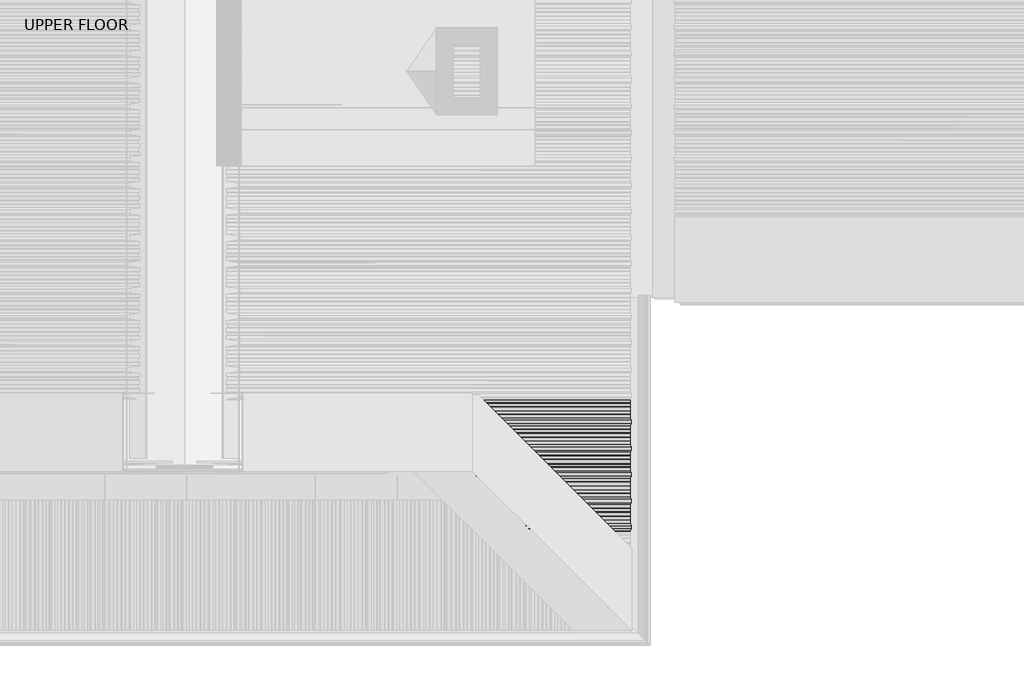
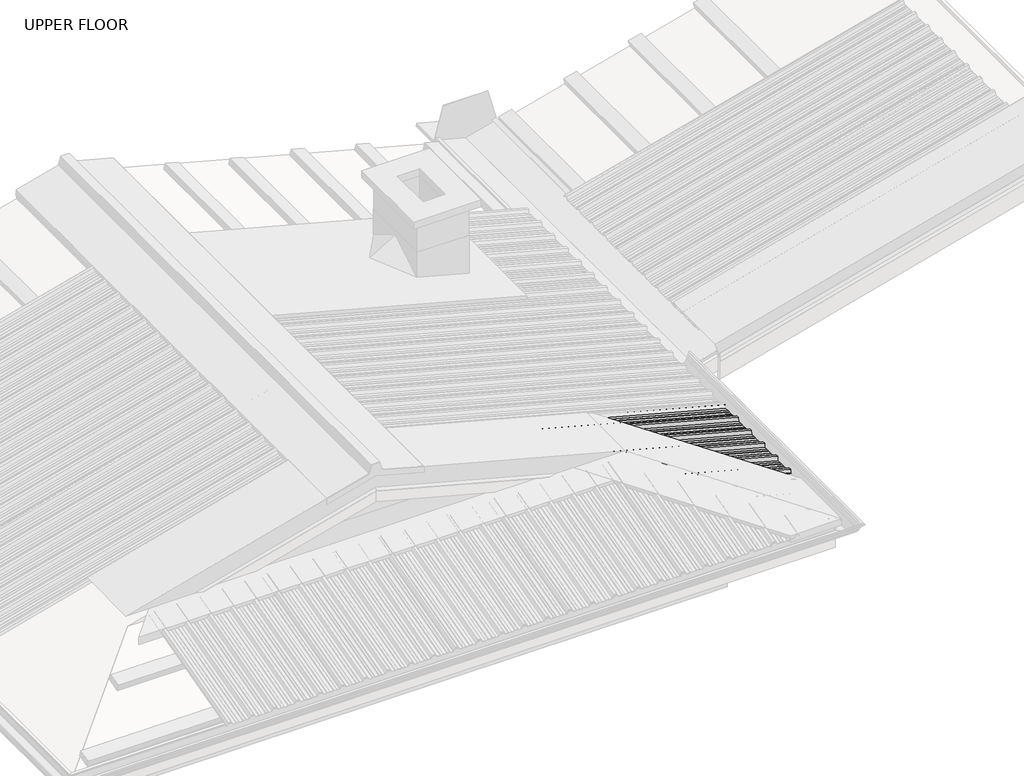
# One storey, part 13 of 21: 1 beam.
"""IFC4 building model written with IfcOpenShell, lengths in millimetres."""

from ifc_helpers import new_model, si_unit, frame, origin, place, context, project, spatial, circle_curve, ellipse_curve, element, save
from ifc_brep_helpers import plane_surface, cylinder_surface, advanced_brep

model = new_model("IFC4")

# Units and contexts
model_context = context("Model", 3, world=origin())
ifc_project = project(units=[si_unit("LENGTHUNIT", "METRE", prefix="MILLI")], contexts=[model_context])

# Site, building, storey
site = spatial("IfcSite", under=ifc_project)
building = spatial("IfcBuilding", under=site)
storey = spatial("IfcBuildingStorey", under=building, Name="UPPER FLOOR", Elevation=2700.0)

# Beam
placement = place(None, origin())
element("IfcBeam", 1, at=placement, inside=storey, context=model_context, shape_type="AdvancedBrep", body=[
    advanced_brep(
    [(4584.6645529, -3346.1714421, 3273.3606404), (4584.6645529, -3324.2252574, 3273.3606404), (4589.5821147, -3313.3559682, 3291.7132311), (4589.5821147, -3296.6760982, 3291.7132311), (4586.0973215, -3288.9916547, 3278.7078058), (4586.2165568, -3288.184463, 3279.1527977), (4589.8409338, -3296.1767078, 3292.679157), (4589.8409338, -3313.8553585, 3292.679157), (4584.9233719, -3324.7246477, 3274.3265663), (4584.9233719, -3345.9418822, 3274.3265663), (4585.44101, -3350.0684842, 3276.2584179), (4585.44101, -3368.1868745, 3276.2584179), (4584.9233719, -3371.4510385, 3274.3265663), (4584.9233719, -3393.156721, 3274.3265663), (4585.44101, -3396.1981795, 3276.2584179), (4585.44101, -3412.4624649, 3276.2584179), (4584.9233719, -3415.5061068, 3274.3265663), (4584.9233719, -3435.0300038, 3274.3265663), (4590.3585719, -3447.0153597, 3294.6110086), (4590.3585719, -3467.0153597, 3294.6110086), (4584.9233719, -3479.0287846, 3274.3265663), (4584.9233719, -3497.9418822, 3274.3265663), (4585.44101, -3502.0684842, 3276.2584179), (4585.44101, -3520.1868745, 3276.2584179), (4584.9233719, -3523.4510385, 3274.3265663), (4584.9233719, -3545.156721, 3274.3265663), (4585.44101, -3548.1981795, 3276.2584179), (4585.44101, -3564.4624649, 3276.2584179), (4584.9233719, -3567.5061068, 3274.3265663), (4584.9233719, -3587.0300038, 3274.3265663), (4590.3585719, -3599.0153597, 3294.6110086), (4590.3585719, -3619.0153597, 3294.6110086), (4584.9233719, -3631.0287846, 3274.3265663), (4584.9233719, -3649.9418822, 3274.3265663), (4585.44101, -3654.0684842, 3276.2584179), (4585.44101, -3672.1868745, 3276.2584179), (4584.9233719, -3675.4510385, 3274.3265663), (4584.9233719, -3697.156721, 3274.3265663), (4585.44101, -3700.1981795, 3276.2584179), (4585.44101, -3716.4624649, 3276.2584179), (4584.9233719, -3719.5061068, 3274.3265663), (4584.9233719, -3739.0300038, 3274.3265663), (4590.3585719, -3751.0153597, 3294.6110086), (4590.3585719, -3771.0153597, 3294.6110086), (4584.9233719, -3783.0287846, 3274.3265663), (4584.9233719, -3801.9418822, 3274.3265663), (4585.44101, -3806.0684842, 3276.2584179), (4585.44101, -3824.1868745, 3276.2584179), (4584.9233719, -3827.4510385, 3274.3265663), (4584.9233719, -3849.156721, 3274.3265663), (4585.44101, -3852.1981795, 3276.2584179), (4585.44101, -3868.4624649, 3276.2584179), (4584.9233719, -3871.5061068, 3274.3265663), (4584.9233719, -3891.0300038, 3274.3265663), (4590.3585719, -3903.0153597, 3294.6110086), (4590.3585719, -3923.0153597, 3294.6110086), (4584.9233719, -3935.0287846, 3274.3265663), (4584.9233719, -3953.9418822, 3274.3265663), (4585.44101, -3958.0684842, 3276.2584179), (4585.44101, -3976.1868745, 3276.2584179), (4584.9233719, -3979.4510385, 3274.3265663), (4584.9233719, -4001.156721, 3274.3265663), (4585.44101, -4004.1981795, 3276.2584179), (4585.44101, -4020.4624649, 3276.2584179), (4584.9233719, -4023.5061068, 3274.3265663), (4584.9233719, -4043.0300038, 3274.3265663), (4590.3585719, -4055.0153597, 3294.6110086), (4590.3585719, -4075.0153597, 3294.6110086), (4585.44101, -4085.8846489, 3276.2584179), (4585.44101, -4088.8207882, 3276.2584179), (4585.182191, -4088.8207882, 3275.2924921), (4585.182191, -4085.3852585, 3275.2924921), (4590.0997528, -4074.5159693, 3293.6450828), (4590.0997528, -4055.5147501, 3293.6450828), (4584.6645529, -4043.5293942, 3273.3606404), (4584.6645529, -4023.2069557, 3273.3606404), (4585.182191, -4020.1633138, 3275.2924921), (4585.182191, -4004.49751, 3275.2924921), (4584.6645529, -4001.4560515, 3273.3606404), (4584.6645529, -3979.1690433, 3273.3606404), (4585.182191, -3975.9048793, 3275.2924921), (4585.182191, -3958.2980441, 3275.2924921), (4584.6645529, -3954.1714421, 3273.3606404), (4584.6645529, -3934.5293942, 3273.3606404), (4590.0997528, -3922.5159693, 3293.6450828), (4590.0997528, -3903.5147501, 3293.6450828), (4584.6645529, -3891.5293942, 3273.3606404), (4584.6645529, -3871.2069557, 3273.3606404), (4585.182191, -3868.1633138, 3275.2924921), (4585.182191, -3852.49751, 3275.2924921), (4584.6645529, -3849.4560515, 3273.3606404), (4584.6645529, -3827.1690433, 3273.3606404), (4585.182191, -3823.9048793, 3275.2924921), (4585.182191, -3806.2980441, 3275.2924921), (4584.6645529, -3802.1714421, 3273.3606404), (4584.6645529, -3782.5293942, 3273.3606404), (4590.0997528, -3770.5159693, 3293.6450828), (4590.0997528, -3751.5147501, 3293.6450828), (4584.6645529, -3739.5293942, 3273.3606404), (4584.6645529, -3719.2069557, 3273.3606404), (4585.182191, -3716.1633138, 3275.2924921), (4585.182191, -3700.49751, 3275.2924921), (4584.6645529, -3697.4560515, 3273.3606404), (4584.6645529, -3675.1690433, 3273.3606404), (4585.182191, -3671.9048793, 3275.2924921), (4585.182191, -3654.2980441, 3275.2924921), (4584.6645529, -3650.1714421, 3273.3606404), (4584.6645529, -3630.5293942, 3273.3606404), (4590.0997528, -3618.5159693, 3293.6450828), (4590.0997528, -3599.5147501, 3293.6450828), (4584.6645529, -3587.5293942, 3273.3606404), (4584.6645529, -3567.2069557, 3273.3606404), (4585.182191, -3564.1633138, 3275.2924921), (4585.182191, -3548.49751, 3275.2924921), (4584.6645529, -3545.4560515, 3273.3606404), (4584.6645529, -3523.1690433, 3273.3606404), (4585.182191, -3519.9048793, 3275.2924921), (4585.182191, -3502.2980441, 3275.2924921), (4584.6645529, -3498.1714421, 3273.3606404), (4584.6645529, -3478.5293942, 3273.3606404), (4590.0997528, -3466.5159693, 3293.6450828), (4590.0997528, -3447.5147501, 3293.6450828), (4584.6645529, -3435.5293942, 3273.3606404), (4584.6645529, -3415.2069557, 3273.3606404), (4585.182191, -3412.1633138, 3275.2924921), (4585.182191, -3396.49751, 3275.2924921), (4584.6645529, -3393.4560515, 3273.3606404), (4584.6645529, -3371.1690433, 3273.3606404), (4585.182191, -3367.9048793, 3275.2924921), (4585.182191, -3350.2980441, 3275.2924921), (3292.5283081, -3367.9048793, 3621.6580561), (3274.9214729, -3350.2980441, 3626.3757934), (3295.7924721, -3371.1690433, 3618.7128736), (3318.0794803, -3393.4560515, 3612.7410878), (3321.1209388, -3396.49751, 3613.9966838), (3336.7867426, -3412.1633138, 3609.7990443), (3339.8303845, -3415.2069557, 3606.9129506), (3360.152823, -3435.5293942, 3601.4675696), (3372.1381788, -3447.5147501, 3619.9969029), (3391.1393981, -3466.5159693, 3614.9055416), (3403.152823, -3478.5293942, 3589.9457543), (3422.7948709, -3498.1714421, 3584.6826834), (3426.9214729, -3502.2980441, 3585.6475161), (3444.5283081, -3519.9048793, 3580.9297789), (3447.7924721, -3523.1690433, 3577.9845964), (3470.0794803, -3545.4560515, 3572.0128105), (3473.1209388, -3548.49751, 3573.2684065), (3488.7867426, -3564.1633138, 3569.0707671), (3491.8303845, -3567.2069557, 3566.1846733), (3512.152823, -3587.5293942, 3560.7392923), (3524.1381788, -3599.5147501, 3579.2686257), (3543.1393981, -3618.5159693, 3574.1772643), (3555.152823, -3630.5293942, 3549.2174771), (3574.7948709, -3650.1714421, 3543.9544062), (3578.9214729, -3654.2980441, 3544.9192389), (3596.5283081, -3671.9048793, 3540.2015016), (3599.7924721, -3675.1690433, 3537.2563191), (3622.0794803, -3697.4560515, 3531.2845333), (3625.1209388, -3700.49751, 3532.5401293), (3640.7867426, -3716.1633138, 3528.3424898), (3643.8303845, -3719.2069557, 3525.4563961), (3664.152823, -3739.5293942, 3520.0110151), (3676.1381788, -3751.5147501, 3538.5403484), (3695.1393981, -3770.5159693, 3533.4489871), (3707.152823, -3782.5293942, 3508.4891998), (3726.7948709, -3802.1714421, 3503.2261289), (3730.9214729, -3806.2980441, 3504.1909616), (3748.5283081, -3823.9048793, 3499.4732244), (3751.7924721, -3827.1690433, 3496.5280419), (3774.0794803, -3849.4560515, 3490.556256), (3777.1209388, -3852.49751, 3491.811852), (3792.7867426, -3868.1633138, 3487.6142126), (3795.8303845, -3871.2069557, 3484.7281188), (3816.152823, -3891.5293942, 3479.2827378), (3828.1381788, -3903.5147501, 3497.8120712), (3847.1393981, -3922.5159693, 3492.7207098), (3859.152823, -3934.5293942, 3467.7609226), (3878.7948709, -3954.1714421, 3462.4978517), (3882.9214729, -3958.2980441, 3463.4626844), (3900.5283081, -3975.9048793, 3458.7449471), (3903.7924721, -3979.1690433, 3455.7997646), (3926.0794803, -4001.4560515, 3449.8279788), (3929.1209388, -4004.49751, 3451.0835748), (3944.7867426, -4020.1633138, 3446.8859353), (3947.8303845, -4023.2069557, 3443.9998416), (3968.152823, -4043.5293942, 3438.5544606), (3980.1381788, -4055.5147501, 3457.0837939), (3999.1393981, -4074.5159693, 3451.9924326), (4010.0086873, -4085.3852585, 3429.4097679), (4013.444217, -4088.8207882, 3428.4892205), (4013.444217, -4088.8207882, 3429.5244967), (4010.5080777, -4085.8846489, 3430.3112328), (3999.6387885, -4075.0153597, 3452.8938975), (3979.6387885, -4055.0153597, 3458.2528814), (3967.6534326, -4043.0300038, 3439.723548), (3948.1295355, -4023.5061068, 3444.9549605), (3945.0858937, -4020.4624649, 3447.8410542), (3928.8216083, -4004.1981795, 3452.1990563), (3925.7801498, -4001.156721, 3450.9434603), (3904.0744673, -3979.4510385, 3456.7594804), (3900.8103033, -3976.1868745, 3459.7046629), (3882.691913, -3958.0684842, 3464.5594709), (3878.565311, -3953.9418822, 3463.5946382), (3859.6522134, -3935.0287846, 3468.6623875), (3847.6387885, -3923.0153597, 3493.6221748), (3827.6387885, -3903.0153597, 3498.9811586), (3815.6534326, -3891.0300038, 3480.4518253), (3796.1295355, -3871.5061068, 3485.6832377), (3793.0858937, -3868.4624649, 3488.5693315), (3776.8216083, -3852.1981795, 3492.9273336), (3773.7801498, -3849.156721, 3491.6717376), (3752.0744673, -3827.4510385, 3497.4877577), (3748.8103033, -3824.1868745, 3500.4329401), (3730.691913, -3806.0684842, 3505.2877482), (3726.565311, -3801.9418822, 3504.3229155), (3707.6522134, -3783.0287846, 3509.3906647), (3695.6387885, -3771.0153597, 3534.350452), (3675.6387885, -3751.0153597, 3539.7094359), (3663.6534326, -3739.0300038, 3521.1801025), (3644.1295355, -3719.5061068, 3526.411515), (3641.0858937, -3716.4624649, 3529.2976087), (3624.8216083, -3700.1981795, 3533.6556108), (3621.7801498, -3697.156721, 3532.4000148), (3600.0744673, -3675.4510385, 3538.2160349), (3596.8103033, -3672.1868745, 3541.1612174), (3578.691913, -3654.0684842, 3546.0160254), (3574.565311, -3649.9418822, 3545.0511927), (3555.6522134, -3631.0287846, 3550.118942), (3543.6387885, -3619.0153597, 3575.0787293), (3523.6387885, -3599.0153597, 3580.4377131), (3511.6534326, -3587.0300038, 3561.9083798), (3492.1295355, -3567.5061068, 3567.1397922), (3489.0858937, -3564.4624649, 3570.025886), (3472.8216083, -3548.1981795, 3574.3838881), (3469.7801498, -3545.156721, 3573.1282921), (3448.0744673, -3523.4510385, 3578.9443122), (3444.8103033, -3520.1868745, 3581.8894946), (3426.691913, -3502.0684842, 3586.7443027), (3422.565311, -3497.9418822, 3585.77947), (3403.6522134, -3479.0287846, 3590.8472192), (3391.6387885, -3467.0153597, 3615.8070065), (3371.6387885, -3447.0153597, 3621.1659904), (3359.6534326, -3435.0300038, 3602.636657), (3340.1295355, -3415.5061068, 3607.8680695), (3270.7948709, -3346.1714421, 3625.4109607), (3337.0858937, -3412.4624649, 3610.7541632), (3320.8216083, -3396.1981795, 3615.1121653), (3317.7801498, -3393.156721, 3613.8565693), (3296.0744673, -3371.4510385, 3619.6725894), (3292.8103033, -3368.1868745, 3622.6177719), (3274.691913, -3350.0684842, 3627.4725799), (3270.565311, -3345.9418822, 3626.5077472), (3249.3480765, -3324.7246477, 3632.1928881), (3238.4787873, -3313.8553585, 3654.7755528), (3220.8001366, -3296.1767078, 3659.512533), (3212.8078917, -3288.184463, 3647.1565404), (3213.6150835, -3288.9916547, 3646.4633131), (3221.299527, -3296.6760982, 3658.3434455), (3237.979397, -3313.3559682, 3653.8740878), (3248.8486861, -3324.2252574, 3631.2914232)],
    [
        (0, 1),
        (1, 2),
        (2, 3),
        (3, 4),
        (4, 5, circle_curve(frame((4586.1569391, -3288.5880588, 3278.9303017), z_axis=(0.9659258262890683, 0.0, -0.25881904510252074), x_axis=(0.0, -1.0, 0.0)), 0.4647024)),
        (5, 6),
        (6, 7),
        (7, 8),
        (8, 9),
        (9, 10),
        (10, 11),
        (11, 12),
        (12, 13),
        (13, 14),
        (14, 15),
        (15, 16),
        (16, 17),
        (17, 18),
        (18, 19),
        (19, 20),
        (20, 21),
        (21, 22),
        (22, 23),
        (23, 24),
        (24, 25),
        (25, 26),
        (26, 27),
        (27, 28),
        (28, 29),
        (29, 30),
        (30, 31),
        (31, 32),
        (32, 33),
        (33, 34),
        (34, 35),
        (35, 36),
        (36, 37),
        (37, 38),
        (38, 39),
        (39, 40),
        (40, 41),
        (41, 42),
        (42, 43),
        (43, 44),
        (44, 45),
        (45, 46),
        (46, 47),
        (47, 48),
        (48, 49),
        (49, 50),
        (50, 51),
        (51, 52),
        (52, 53),
        (53, 54),
        (54, 55),
        (55, 56),
        (56, 57),
        (57, 58),
        (58, 59),
        (59, 60),
        (60, 61),
        (61, 62),
        (62, 63),
        (63, 64),
        (64, 65),
        (65, 66),
        (66, 67),
        (67, 68),
        (68, 69),
        (69, 70, circle_curve(frame((4585.3116005, -4088.8207882, 3275.775455), z_axis=(0.9659258262890683, 0.0, -0.25881904510252074), x_axis=(0.0, -1.0, 0.0)), 0.5)),
        (70, 71),
        (71, 72),
        (72, 73),
        (73, 74),
        (74, 75),
        (75, 76),
        (76, 77),
        (77, 78),
        (78, 79),
        (79, 80),
        (80, 81),
        (81, 82),
        (82, 83),
        (83, 84),
        (84, 85),
        (85, 86),
        (86, 87),
        (87, 88),
        (88, 89),
        (89, 90),
        (90, 91),
        (91, 92),
        (92, 93),
        (93, 94),
        (94, 95),
        (95, 96),
        (96, 97),
        (97, 98),
        (98, 99),
        (99, 100),
        (100, 101),
        (101, 102),
        (102, 103),
        (103, 104),
        (104, 105),
        (105, 106),
        (106, 107),
        (107, 108),
        (108, 109),
        (109, 110),
        (110, 111),
        (111, 112),
        (112, 113),
        (113, 114),
        (114, 115),
        (115, 116),
        (116, 117),
        (117, 118),
        (118, 119),
        (119, 120),
        (120, 121),
        (121, 122),
        (122, 123),
        (123, 124),
        (124, 125),
        (125, 126),
        (126, 127),
        (127, 128),
        (128, 129),
        (129, 0),
        (128, 130),
        (130, 131),
        (131, 129),
        (127, 132),
        (132, 130),
        (126, 133),
        (133, 132),
        (125, 134),
        (134, 133),
        (124, 135),
        (135, 134),
        (123, 136),
        (136, 135),
        (122, 137),
        (137, 136),
        (121, 138),
        (138, 137),
        (120, 139),
        (139, 138),
        (119, 140),
        (140, 139),
        (118, 141),
        (141, 140),
        (117, 142),
        (142, 141),
        (116, 143),
        (143, 142),
        (115, 144),
        (144, 143),
        (114, 145),
        (145, 144),
        (113, 146),
        (146, 145),
        (112, 147),
        (147, 146),
        (111, 148),
        (148, 147),
        (110, 149),
        (149, 148),
        (109, 150),
        (150, 149),
        (108, 151),
        (151, 150),
        (107, 152),
        (152, 151),
        (106, 153),
        (153, 152),
        (105, 154),
        (154, 153),
        (104, 155),
        (155, 154),
        (103, 156),
        (156, 155),
        (102, 157),
        (157, 156),
        (101, 158),
        (158, 157),
        (100, 159),
        (159, 158),
        (99, 160),
        (160, 159),
        (98, 161),
        (161, 160),
        (97, 162),
        (162, 161),
        (96, 163),
        (163, 162),
        (95, 164),
        (164, 163),
        (94, 165),
        (165, 164),
        (93, 166),
        (166, 165),
        (92, 167),
        (167, 166),
        (91, 168),
        (168, 167),
        (90, 169),
        (169, 168),
        (89, 170),
        (170, 169),
        (88, 171),
        (171, 170),
        (87, 172),
        (172, 171),
        (86, 173),
        (173, 172),
        (85, 174),
        (174, 173),
        (84, 175),
        (175, 174),
        (83, 176),
        (176, 175),
        (82, 177),
        (177, 176),
        (81, 178),
        (178, 177),
        (80, 179),
        (179, 178),
        (79, 180),
        (180, 179),
        (78, 181),
        (181, 180),
        (77, 182),
        (182, 181),
        (76, 183),
        (183, 182),
        (75, 184),
        (184, 183),
        (74, 185),
        (185, 184),
        (73, 186),
        (186, 185),
        (72, 187),
        (187, 186),
        (71, 188),
        (188, 187),
        (70, 189),
        (189, 188),
        (69, 190),
        (190, 189, ellipse_curve(frame((4013.444217, -4088.8207882, 3429.0068586), z_axis=(0.7071067811865475, 0.7071067811865476, 0.0), x_axis=(-0.6612248329466451, 0.661224832946645, 0.3543493200069143)), 0.7320508, 0.5)),
        (68, 191),
        (191, 190),
        (67, 192),
        (192, 191),
        (66, 193),
        (193, 192),
        (65, 194),
        (194, 193),
        (64, 195),
        (195, 194),
        (63, 196),
        (196, 195),
        (62, 197),
        (197, 196),
        (61, 198),
        (198, 197),
        (60, 199),
        (199, 198),
        (59, 200),
        (200, 199),
        (58, 201),
        (201, 200),
        (57, 202),
        (202, 201),
        (56, 203),
        (203, 202),
        (55, 204),
        (204, 203),
        (54, 205),
        (205, 204),
        (53, 206),
        (206, 205),
        (52, 207),
        (207, 206),
        (51, 208),
        (208, 207),
        (50, 209),
        (209, 208),
        (49, 210),
        (210, 209),
        (48, 211),
        (211, 210),
        (47, 212),
        (212, 211),
        (46, 213),
        (213, 212),
        (45, 214),
        (214, 213),
        (44, 215),
        (215, 214),
        (43, 216),
        (216, 215),
        (42, 217),
        (217, 216),
        (41, 218),
        (218, 217),
        (40, 219),
        (219, 218),
        (39, 220),
        (220, 219),
        (38, 221),
        (221, 220),
        (37, 222),
        (222, 221),
        (36, 223),
        (223, 222),
        (35, 224),
        (224, 223),
        (34, 225),
        (225, 224),
        (33, 226),
        (226, 225),
        (32, 227),
        (227, 226),
        (31, 228),
        (228, 227),
        (30, 229),
        (229, 228),
        (29, 230),
        (230, 229),
        (28, 231),
        (231, 230),
        (27, 232),
        (232, 231),
        (26, 233),
        (233, 232),
        (25, 234),
        (234, 233),
        (24, 235),
        (235, 234),
        (23, 236),
        (236, 235),
        (22, 237),
        (237, 236),
        (21, 238),
        (238, 237),
        (20, 239),
        (239, 238),
        (19, 240),
        (240, 239),
        (18, 241),
        (241, 240),
        (17, 242),
        (242, 241),
        (16, 243),
        (243, 242),
        (131, 244),
        (244, 0),
        (15, 245),
        (245, 243),
        (14, 246),
        (246, 245),
        (13, 247),
        (247, 246),
        (12, 248),
        (248, 247),
        (11, 249),
        (249, 248),
        (10, 250),
        (250, 249),
        (9, 251),
        (251, 250),
        (8, 252),
        (252, 251),
        (7, 253),
        (253, 252),
        (6, 254),
        (254, 253),
        (5, 255),
        (255, 254),
        (4, 256),
        (256, 255, ellipse_curve(frame((3213.2114876, -3288.5880588, 3646.8099267), z_axis=(0.7071067811865475, 0.7071067811865476, 0.0), x_axis=(-0.6612248329466451, 0.661224832946645, 0.3543493200069143)), 0.6803715, 0.4647024)),
        (3, 257),
        (257, 256),
        (2, 258),
        (258, 257),
        (1, 259),
        (259, 258),
        (244, 259),
    ],
    [
        plane_surface(frame((4584.6645529, -3346.1714421, 3273.3606404), z_axis=(0.9659258262890684, 0.0, -0.25881904510252085), x_axis=(-0.11288039666962568, 0.8998805887467901, -0.42127537554957867))),
        plane_surface(frame((2083.2386069, -3350.2980441, 3945.6862549), z_axis=(-0.25881904510252074, 0.0, -0.9659258262890683), x_axis=(0.9659258262890683, 0.0, -0.25881904510252074))),
        plane_surface(frame((2083.2386069, -3367.9048793, 3945.6862549), z_axis=(-0.22068801492462997, 0.522444957349295, -0.8236188843202418), x_axis=(0.9659258262890683, 0.0, -0.25881904510252074))),
        plane_surface(frame((2082.7209688, -3371.1690433, 3943.7544033), z_axis=(-0.25881904510252074, 0.0, -0.9659258262890683), x_axis=(0.9659258262890683, 0.0, -0.25881904510252074))),
        plane_surface(frame((2082.7209688, -3393.4560515, 3943.7544033), z_axis=(-0.21625317242009617, -0.5494325148836762, -0.8070678267697474), x_axis=(0.9659258262890683, 0.0, -0.25881904510252074))),
        plane_surface(frame((2083.2386069, -3396.49751, 3945.6862549), z_axis=(-0.25881904510252074, 0.0, -0.9659258262890683), x_axis=(0.9659258262890683, 0.0, -0.25881904510252074))),
        plane_surface(frame((2083.2386069, -3412.1633138, 3945.6862549), z_axis=(-0.21630000128988558, 0.5491572662555962, -0.807242594491071), x_axis=(0.9659258262890683, 0.0, -0.25881904510252074))),
        plane_surface(frame((2082.7209688, -3415.2069557, 3943.7544033), z_axis=(-0.25881904510252074, 0.0, -0.9659258262890683), x_axis=(0.9659258262890683, 0.0, -0.25881904510252074))),
        plane_surface(frame((2082.7209688, -3435.5293942, 3943.7544033), z_axis=(-0.1282920218529953, -0.8685039140295312, -0.4787923437611084), x_axis=(0.9659258262890683, 0.0, -0.25881904510252074))),
        plane_surface(frame((2088.1561688, -3447.5147501, 3964.0388456), z_axis=(-0.25881904510252074, 0.0, -0.9659258262890683), x_axis=(0.9659258262890683, 0.0, -0.25881904510252074))),
        plane_surface(frame((2088.1561688, -3466.5159693, 3964.0388456), z_axis=(-0.12851845745027884, 0.868004008186007, -0.47963741291482626), x_axis=(0.9659258262890683, 0.0, -0.25881904510252074))),
        plane_surface(frame((2082.7209688, -3478.5293942, 3943.7544033), z_axis=(-0.25881904510252074, 0.0, -0.9659258262890683), x_axis=(0.9659258262890683, 0.0, -0.25881904510252074))),
        plane_surface(frame((2082.7209688, -3498.1714421, 3943.7544033), z_axis=(-0.23290623468573923, -0.43613636169979064, -0.8692179012467363), x_axis=(0.9659258262890683, 0.0, -0.25881904510252074))),
        plane_surface(frame((2083.2386069, -3502.2980441, 3945.6862549), z_axis=(-0.25881904510252074, 0.0, -0.9659258262890683), x_axis=(0.9659258262890683, 0.0, -0.25881904510252074))),
        plane_surface(frame((2083.2386069, -3519.9048793, 3945.6862549), z_axis=(-0.22068801492462933, 0.5224449573492989, -0.8236188843202394), x_axis=(0.9659258262890683, 0.0, -0.25881904510252074))),
        plane_surface(frame((2082.7209688, -3523.1690433, 3943.7544033), z_axis=(-0.25881904510252074, 0.0, -0.9659258262890683), x_axis=(0.9659258262890683, 0.0, -0.25881904510252074))),
        plane_surface(frame((2082.7209688, -3545.4560515, 3943.7544033), z_axis=(-0.21625317242009592, -0.5494325148836781, -0.8070678267697464), x_axis=(0.9659258262890683, 0.0, -0.25881904510252074))),
        plane_surface(frame((2083.2386069, -3548.49751, 3945.6862549), z_axis=(-0.25881904510252074, 0.0, -0.9659258262890683), x_axis=(0.9659258262890683, 0.0, -0.25881904510252074))),
        plane_surface(frame((2083.2386069, -3564.1633138, 3945.6862549), z_axis=(-0.2163000012898864, 0.5491572662555914, -0.8072425944910742), x_axis=(0.9659258262890683, 0.0, -0.25881904510252074))),
        plane_surface(frame((2082.7209688, -3567.2069557, 3943.7544033), z_axis=(-0.25881904510252074, 0.0, -0.9659258262890683), x_axis=(0.9659258262890683, 0.0, -0.25881904510252074))),
        plane_surface(frame((2082.7209688, -3587.5293942, 3943.7544033), z_axis=(-0.12829202185299557, -0.8685039140295305, -0.4787923437611094), x_axis=(0.9659258262890683, 0.0, -0.25881904510252074))),
        plane_surface(frame((2088.1561688, -3599.5147501, 3964.0388456), z_axis=(-0.25881904510252074, 0.0, -0.9659258262890683), x_axis=(0.9659258262890683, 0.0, -0.25881904510252074))),
        plane_surface(frame((2088.1561688, -3618.5159693, 3964.0388456), z_axis=(-0.12851845745027854, 0.8680040081860075, -0.4796374129148252), x_axis=(0.9659258262890683, 0.0, -0.25881904510252074))),
        plane_surface(frame((2082.7209688, -3630.5293942, 3943.7544033), z_axis=(-0.25881904510252074, 0.0, -0.9659258262890683), x_axis=(0.9659258262890683, 0.0, -0.25881904510252074))),
        plane_surface(frame((2082.7209688, -3650.1714421, 3943.7544033), z_axis=(-0.2329062346857396, -0.43613636169978787, -0.8692179012467376), x_axis=(0.9659258262890683, 0.0, -0.25881904510252074))),
        plane_surface(frame((2083.2386069, -3654.2980441, 3945.6862549), z_axis=(-0.25881904510252074, 0.0, -0.9659258262890683), x_axis=(0.9659258262890683, 0.0, -0.25881904510252074))),
        plane_surface(frame((2083.2386069, -3671.9048793, 3945.6862549), z_axis=(-0.2206880149246289, 0.5224449573493013, -0.8236188843202378), x_axis=(0.9659258262890683, 0.0, -0.25881904510252074))),
        plane_surface(frame((2082.7209688, -3675.1690433, 3943.7544033), z_axis=(-0.25881904510252074, 0.0, -0.9659258262890683), x_axis=(0.9659258262890683, 0.0, -0.25881904510252074))),
        plane_surface(frame((2082.7209688, -3697.4560515, 3943.7544033), z_axis=(-0.2162531724200988, -0.549432514883661, -0.8070678267697573), x_axis=(0.9659258262890683, 0.0, -0.25881904510252074))),
        plane_surface(frame((2083.2386069, -3700.49751, 3945.6862549), z_axis=(-0.25881904510252074, 0.0, -0.9659258262890683), x_axis=(0.9659258262890683, 0.0, -0.25881904510252074))),
        plane_surface(frame((2083.2386069, -3716.1633138, 3945.6862549), z_axis=(-0.2163000012898864, 0.5491572662555914, -0.8072425944910742), x_axis=(0.9659258262890683, 0.0, -0.25881904510252074))),
        plane_surface(frame((2082.7209688, -3719.2069557, 3943.7544033), z_axis=(-0.25881904510252074, 0.0, -0.9659258262890683), x_axis=(0.9659258262890683, 0.0, -0.25881904510252074))),
        plane_surface(frame((2082.7209688, -3739.5293942, 3943.7544033), z_axis=(-0.1282920218529953, -0.8685039140295312, -0.4787923437611084), x_axis=(0.9659258262890683, 0.0, -0.25881904510252074))),
        plane_surface(frame((2088.1561688, -3751.5147501, 3964.0388456), z_axis=(-0.25881904510252074, 0.0, -0.9659258262890683), x_axis=(0.9659258262890683, 0.0, -0.25881904510252074))),
        plane_surface(frame((2088.1561688, -3770.5159693, 3964.0388456), z_axis=(-0.12851845745027854, 0.8680040081860075, -0.4796374129148252), x_axis=(0.9659258262890683, 0.0, -0.25881904510252074))),
        plane_surface(frame((2082.7209688, -3782.5293942, 3943.7544033), z_axis=(-0.25881904510252074, 0.0, -0.9659258262890683), x_axis=(0.9659258262890683, 0.0, -0.25881904510252074))),
        plane_surface(frame((2082.7209688, -3802.1714421, 3943.7544033), z_axis=(-0.23290623468573926, -0.4361363616997906, -0.8692179012467363), x_axis=(0.9659258262890683, 0.0, -0.25881904510252074))),
        plane_surface(frame((2083.2386069, -3806.2980441, 3945.6862549), z_axis=(-0.25881904510252074, 0.0, -0.9659258262890683), x_axis=(0.9659258262890683, 0.0, -0.25881904510252074))),
        plane_surface(frame((2083.2386069, -3823.9048793, 3945.6862549), z_axis=(-0.22068801492462942, 0.5224449573492981, -0.8236188843202399), x_axis=(0.9659258262890683, 0.0, -0.25881904510252074))),
        plane_surface(frame((2082.7209688, -3827.1690433, 3943.7544033), z_axis=(-0.25881904510252074, 0.0, -0.9659258262890683), x_axis=(0.9659258262890683, 0.0, -0.25881904510252074))),
        plane_surface(frame((2082.7209688, -3849.4560515, 3943.7544033), z_axis=(-0.2162531724200973, -0.5494325148836693, -0.8070678267697518), x_axis=(0.9659258262890683, 0.0, -0.25881904510252074))),
        plane_surface(frame((2083.2386069, -3852.49751, 3945.6862549), z_axis=(-0.25881904510252074, 0.0, -0.9659258262890683), x_axis=(0.9659258262890683, 0.0, -0.25881904510252074))),
        plane_surface(frame((2083.2386069, -3868.1633138, 3945.6862549), z_axis=(-0.21630000128988672, 0.5491572662555897, -0.8072425944910753), x_axis=(0.9659258262890683, 0.0, -0.25881904510252074))),
        plane_surface(frame((2082.7209688, -3871.2069557, 3943.7544033), z_axis=(-0.25881904510252074, 0.0, -0.9659258262890683), x_axis=(0.9659258262890683, 0.0, -0.25881904510252074))),
        plane_surface(frame((2082.7209688, -3891.5293942, 3943.7544033), z_axis=(-0.12829202185299532, -0.8685039140295311, -0.4787923437611086), x_axis=(0.9659258262890683, 0.0, -0.25881904510252074))),
        plane_surface(frame((2088.1561688, -3903.5147501, 3964.0388456), z_axis=(-0.25881904510252074, 0.0, -0.9659258262890683), x_axis=(0.9659258262890683, 0.0, -0.25881904510252074))),
        plane_surface(frame((2088.1561688, -3922.5159693, 3964.0388456), z_axis=(-0.12851845745027862, 0.8680040081860075, -0.4796374129148252), x_axis=(0.9659258262890683, 0.0, -0.25881904510252074))),
        plane_surface(frame((2082.7209688, -3934.5293942, 3943.7544033), z_axis=(-0.25881904510252074, 0.0, -0.9659258262890683), x_axis=(0.9659258262890683, 0.0, -0.25881904510252074))),
        plane_surface(frame((2082.7209688, -3954.1714421, 3943.7544033), z_axis=(-0.23290623468573882, -0.4361363616997936, -0.8692179012467349), x_axis=(0.9659258262890683, 0.0, -0.25881904510252074))),
        plane_surface(frame((2083.2386069, -3958.2980441, 3945.6862549), z_axis=(-0.25881904510252074, 0.0, -0.9659258262890683), x_axis=(0.9659258262890683, 0.0, -0.25881904510252074))),
        plane_surface(frame((2083.2386069, -3975.9048793, 3945.6862549), z_axis=(-0.22068801492462944, 0.5224449573492981, -0.8236188843202399), x_axis=(0.9659258262890683, 0.0, -0.25881904510252074))),
        plane_surface(frame((2082.7209688, -3979.1690433, 3943.7544033), z_axis=(-0.25881904510252074, 0.0, -0.9659258262890683), x_axis=(0.9659258262890683, 0.0, -0.25881904510252074))),
        plane_surface(frame((2082.7209688, -4001.4560515, 3943.7544033), z_axis=(-0.21625317242009537, -0.5494325148836812, -0.8070678267697444), x_axis=(0.9659258262890683, 0.0, -0.25881904510252074))),
        plane_surface(frame((2083.2386069, -4004.49751, 3945.6862549), z_axis=(-0.25881904510252074, 0.0, -0.9659258262890683), x_axis=(0.9659258262890683, 0.0, -0.25881904510252074))),
        plane_surface(frame((2083.2386069, -4020.1633138, 3945.6862549), z_axis=(-0.21630000128988588, 0.5491572662555946, -0.8072425944910722), x_axis=(0.9659258262890683, 0.0, -0.25881904510252074))),
        plane_surface(frame((2082.7209688, -4023.2069557, 3943.7544033), z_axis=(-0.25881904510252074, 0.0, -0.9659258262890683), x_axis=(0.9659258262890683, 0.0, -0.25881904510252074))),
        plane_surface(frame((2082.7209688, -4043.5293942, 3943.7544033), z_axis=(-0.12829202185299426, -0.8685039140295334, -0.47879234376110463), x_axis=(0.9659258262890683, 0.0, -0.25881904510252074))),
        plane_surface(frame((2088.1561688, -4055.5147501, 3964.0388456), z_axis=(-0.25881904510252074, 0.0, -0.9659258262890683), x_axis=(0.9659258262890683, 0.0, -0.25881904510252074))),
        plane_surface(frame((2088.1561688, -4074.5159693, 3964.0388456), z_axis=(-0.1285184574502769, 0.8680040081860111, -0.47963741291481904), x_axis=(0.9659258262890683, 0.0, -0.25881904510252074))),
        plane_surface(frame((2083.2386069, -4085.3852585, 3945.6862549), z_axis=(-0.25881904510252074, 0.0, -0.9659258262890683), x_axis=(0.9659258262890683, 0.0, -0.25881904510252074))),
        cylinder_surface(frame((4585.3116005, -4088.8207882, 3275.775455), z_axis=(-0.9659258262890683, 0.0, 0.25881904510252074), x_axis=(0.0, -1.0, 0.0)), 0.5),
        plane_surface(frame((2083.497426, -4088.8207882, 3946.6521808), z_axis=(0.25881904510252074, 0.0, 0.9659258262890683), x_axis=(0.9659258262890683, 0.0, -0.25881904510252074))),
        plane_surface(frame((2083.497426, -4085.8846489, 3946.6521808), z_axis=(0.1285184574502769, -0.8680040081860111, 0.47963741291481904), x_axis=(0.9659258262890683, 0.0, -0.25881904510252074))),
        plane_surface(frame((2088.4149878, -4075.0153597, 3965.0047715), z_axis=(0.25881904510252074, 0.0, 0.9659258262890683), x_axis=(0.9659258262890683, 0.0, -0.25881904510252074))),
        plane_surface(frame((2088.4149878, -4055.0153597, 3965.0047715), z_axis=(0.12829202185299549, 0.8685039140295308, 0.47879234376110924), x_axis=(0.9659258262890683, 0.0, -0.25881904510252074))),
        plane_surface(frame((2082.9797879, -4043.0300038, 3944.7203291), z_axis=(0.25881904510252074, 0.0, 0.9659258262890683), x_axis=(0.9659258262890683, 0.0, -0.25881904510252074))),
        plane_surface(frame((2082.9797879, -4023.5061068, 3944.7203291), z_axis=(0.2163000012898864, -0.5491572662555914, 0.8072425944910742), x_axis=(0.9659258262890683, 0.0, -0.25881904510252074))),
        plane_surface(frame((2083.497426, -4020.4624649, 3946.6521808), z_axis=(0.25881904510252074, 0.0, 0.9659258262890683), x_axis=(0.9659258262890683, 0.0, -0.25881904510252074))),
        plane_surface(frame((2083.497426, -4004.1981795, 3946.6521808), z_axis=(0.21625317242009537, 0.5494325148836812, 0.8070678267697444), x_axis=(0.9659258262890683, 0.0, -0.25881904510252074))),
        plane_surface(frame((2082.9797879, -4001.156721, 3944.7203291), z_axis=(0.25881904510252074, 0.0, 0.9659258262890683), x_axis=(0.9659258262890683, 0.0, -0.25881904510252074))),
        plane_surface(frame((2082.9797879, -3979.4510385, 3944.7203291), z_axis=(0.22068801492462747, -0.5224449573493106, 0.8236188843202324), x_axis=(0.9659258262890683, 0.0, -0.25881904510252074))),
        plane_surface(frame((2083.497426, -3976.1868745, 3946.6521808), z_axis=(0.25881904510252074, 0.0, 0.9659258262890683), x_axis=(0.9659258262890683, 0.0, -0.25881904510252074))),
        plane_surface(frame((2083.497426, -3958.0684842, 3946.6521808), z_axis=(0.23290623468573923, 0.43613636169979064, 0.8692179012467363), x_axis=(0.9659258262890683, 0.0, -0.25881904510252074))),
        plane_surface(frame((2082.9797879, -3953.9418822, 3944.7203291), z_axis=(0.25881904510252074, 0.0, 0.9659258262890683), x_axis=(0.9659258262890683, 0.0, -0.25881904510252074))),
        plane_surface(frame((2082.9797879, -3935.0287846, 3944.7203291), z_axis=(0.12851845745027868, -0.8680040081860073, 0.4796374129148255), x_axis=(0.9659258262890683, 0.0, -0.25881904510252074))),
        plane_surface(frame((2088.4149878, -3923.0153597, 3965.0047715), z_axis=(0.25881904510252074, 0.0, 0.9659258262890683), x_axis=(0.9659258262890683, 0.0, -0.25881904510252074))),
        plane_surface(frame((2088.4149878, -3903.0153597, 3965.0047715), z_axis=(0.12829202185299537, 0.8685039140295311, 0.47879234376110874), x_axis=(0.9659258262890683, 0.0, -0.25881904510252074))),
        plane_surface(frame((2082.9797879, -3891.0300038, 3944.7203291), z_axis=(0.25881904510252074, 0.0, 0.9659258262890683), x_axis=(0.9659258262890683, 0.0, -0.25881904510252074))),
        plane_surface(frame((2082.9797879, -3871.5061068, 3944.7203291), z_axis=(0.21630000128988697, -0.5491572662555881, 0.8072425944910762), x_axis=(0.9659258262890683, 0.0, -0.25881904510252074))),
        plane_surface(frame((2083.497426, -3868.4624649, 3946.6521808), z_axis=(0.25881904510252074, 0.0, 0.9659258262890683), x_axis=(0.9659258262890683, 0.0, -0.25881904510252074))),
        plane_surface(frame((2083.497426, -3852.1981795, 3946.6521808), z_axis=(0.2162531724200979, 0.5494325148836661, 0.8070678267697539), x_axis=(0.9659258262890683, 0.0, -0.25881904510252074))),
        plane_surface(frame((2082.9797879, -3849.156721, 3944.7203291), z_axis=(0.25881904510252074, 0.0, 0.9659258262890683), x_axis=(0.9659258262890683, 0.0, -0.25881904510252074))),
        plane_surface(frame((2082.9797879, -3827.4510385, 3944.7203291), z_axis=(0.22068801492462872, -0.5224449573493027, 0.8236188843202372), x_axis=(0.9659258262890683, 0.0, -0.25881904510252074))),
        plane_surface(frame((2083.497426, -3824.1868745, 3946.6521808), z_axis=(0.25881904510252074, 0.0, 0.9659258262890683), x_axis=(0.9659258262890683, 0.0, -0.25881904510252074))),
        plane_surface(frame((2083.497426, -3806.0684842, 3946.6521808), z_axis=(0.23290623468574034, 0.43613636169978176, 0.8692179012467404), x_axis=(0.9659258262890683, 0.0, -0.25881904510252074))),
        plane_surface(frame((2082.9797879, -3801.9418822, 3944.7203291), z_axis=(0.25881904510252074, 0.0, 0.9659258262890683), x_axis=(0.9659258262890683, 0.0, -0.25881904510252074))),
        plane_surface(frame((2082.9797879, -3783.0287846, 3944.7203291), z_axis=(0.12851845745027907, -0.8680040081860063, 0.47963741291482725), x_axis=(0.9659258262890683, 0.0, -0.25881904510252074))),
        plane_surface(frame((2088.4149878, -3771.0153597, 3965.0047715), z_axis=(0.25881904510252074, 0.0, 0.9659258262890683), x_axis=(0.9659258262890683, 0.0, -0.25881904510252074))),
        plane_surface(frame((2088.4149878, -3751.0153597, 3965.0047715), z_axis=(0.1282920218529953, 0.8685039140295312, 0.4787923437611084), x_axis=(0.9659258262890683, 0.0, -0.25881904510252074))),
        plane_surface(frame((2082.9797879, -3739.0300038, 3944.7203291), z_axis=(0.25881904510252074, 0.0, 0.9659258262890683), x_axis=(0.9659258262890683, 0.0, -0.25881904510252074))),
        plane_surface(frame((2082.9797879, -3719.5061068, 3944.7203291), z_axis=(0.2163000012898864, -0.5491572662555914, 0.8072425944910742), x_axis=(0.9659258262890683, 0.0, -0.25881904510252074))),
        plane_surface(frame((2083.497426, -3716.4624649, 3946.6521808), z_axis=(0.25881904510252074, 0.0, 0.9659258262890683), x_axis=(0.9659258262890683, 0.0, -0.25881904510252074))),
        plane_surface(frame((2083.497426, -3700.1981795, 3946.6521808), z_axis=(0.2162531724200988, 0.549432514883661, 0.8070678267697573), x_axis=(0.9659258262890683, 0.0, -0.25881904510252074))),
        plane_surface(frame((2082.9797879, -3697.156721, 3944.7203291), z_axis=(0.25881904510252074, 0.0, 0.9659258262890683), x_axis=(0.9659258262890683, 0.0, -0.25881904510252074))),
        plane_surface(frame((2082.9797879, -3675.4510385, 3944.7203291), z_axis=(0.22068801492462994, -0.522444957349295, 0.8236188843202418), x_axis=(0.9659258262890683, 0.0, -0.25881904510252074))),
        plane_surface(frame((2083.497426, -3672.1868745, 3946.6521808), z_axis=(0.25881904510252074, 0.0, 0.9659258262890683), x_axis=(0.9659258262890683, 0.0, -0.25881904510252074))),
        plane_surface(frame((2083.497426, -3654.0684842, 3946.6521808), z_axis=(0.23290623468573995, 0.43613636169978476, 0.8692179012467389), x_axis=(0.9659258262890683, 0.0, -0.25881904510252074))),
        plane_surface(frame((2082.9797879, -3649.9418822, 3944.7203291), z_axis=(0.25881904510252074, 0.0, 0.9659258262890683), x_axis=(0.9659258262890683, 0.0, -0.25881904510252074))),
        plane_surface(frame((2082.9797879, -3631.0287846, 3944.7203291), z_axis=(0.1285184574502796, -0.8680040081860049, 0.4796374129148292), x_axis=(0.9659258262890683, 0.0, -0.25881904510252074))),
        plane_surface(frame((2088.4149878, -3619.0153597, 3965.0047715), z_axis=(0.25881904510252074, 0.0, 0.9659258262890683), x_axis=(0.9659258262890683, 0.0, -0.25881904510252074))),
        plane_surface(frame((2088.4149878, -3599.0153597, 3965.0047715), z_axis=(0.12829202185299537, 0.8685039140295311, 0.47879234376110874), x_axis=(0.9659258262890683, 0.0, -0.25881904510252074))),
        plane_surface(frame((2082.9797879, -3587.0300038, 3944.7203291), z_axis=(0.25881904510252074, 0.0, 0.9659258262890683), x_axis=(0.9659258262890683, 0.0, -0.25881904510252074))),
        plane_surface(frame((2082.9797879, -3567.5061068, 3944.7203291), z_axis=(0.21630000128988697, -0.5491572662555881, 0.8072425944910762), x_axis=(0.9659258262890683, 0.0, -0.25881904510252074))),
        plane_surface(frame((2083.497426, -3564.4624649, 3946.6521808), z_axis=(0.25881904510252074, 0.0, 0.9659258262890683), x_axis=(0.9659258262890683, 0.0, -0.25881904510252074))),
        plane_surface(frame((2083.497426, -3548.1981795, 3946.6521808), z_axis=(0.21625317242009717, 0.5494325148836704, 0.8070678267697512), x_axis=(0.9659258262890683, 0.0, -0.25881904510252074))),
        plane_surface(frame((2082.9797879, -3545.156721, 3944.7203291), z_axis=(0.25881904510252074, 0.0, 0.9659258262890683), x_axis=(0.9659258262890683, 0.0, -0.25881904510252074))),
        plane_surface(frame((2082.9797879, -3523.4510385, 3944.7203291), z_axis=(0.22068801492462808, -0.5224449573493067, 0.8236188843202348), x_axis=(0.9659258262890683, 0.0, -0.25881904510252074))),
        plane_surface(frame((2083.497426, -3520.1868745, 3946.6521808), z_axis=(0.25881904510252074, 0.0, 0.9659258262890683), x_axis=(0.9659258262890683, 0.0, -0.25881904510252074))),
        plane_surface(frame((2083.497426, -3502.0684842, 3946.6521808), z_axis=(0.23290623468573957, 0.43613636169978776, 0.8692179012467376), x_axis=(0.9659258262890683, 0.0, -0.25881904510252074))),
        plane_surface(frame((2082.9797879, -3497.9418822, 3944.7203291), z_axis=(0.25881904510252074, 0.0, 0.9659258262890683), x_axis=(0.9659258262890683, 0.0, -0.25881904510252074))),
        plane_surface(frame((2082.9797879, -3479.0287846, 3944.7203291), z_axis=(0.1285184574502789, -0.8680040081860066, 0.4796374129148265), x_axis=(0.9659258262890683, 0.0, -0.25881904510252074))),
        plane_surface(frame((2088.4149878, -3467.0153597, 3965.0047715), z_axis=(0.25881904510252074, 0.0, 0.9659258262890683), x_axis=(0.9659258262890683, 0.0, -0.25881904510252074))),
        plane_surface(frame((2088.4149878, -3447.0153597, 3965.0047715), z_axis=(0.12829202185299537, 0.8685039140295311, 0.47879234376110874), x_axis=(0.9659258262890683, 0.0, -0.25881904510252074))),
        plane_surface(frame((2082.9797879, -3435.0300038, 3944.7203291), z_axis=(0.25881904510252074, 0.0, 0.9659258262890683), x_axis=(0.9659258262890683, 0.0, -0.25881904510252074))),
        plane_surface(frame((2082.7209688, -3346.1714421, 3943.7544033), z_axis=(-0.23290623468573923, -0.4361363616997906, -0.8692179012467363), x_axis=(0.9659258262890683, 0.0, -0.25881904510252074))),
        plane_surface(frame((2082.9797879, -3415.5061068, 3944.7203291), z_axis=(0.21630000128988616, -0.549157266255593, 0.8072425944910732), x_axis=(0.9659258262890683, 0.0, -0.25881904510252074))),
        plane_surface(frame((2083.497426, -3412.4624649, 3946.6521808), z_axis=(0.25881904510252074, 0.0, 0.9659258262890683), x_axis=(0.9659258262890683, 0.0, -0.25881904510252074))),
        plane_surface(frame((2083.497426, -3396.1981795, 3946.6521808), z_axis=(0.21625317242009698, 0.5494325148836714, 0.8070678267697504), x_axis=(0.9659258262890683, 0.0, -0.25881904510252074))),
        plane_surface(frame((2082.9797879, -3393.156721, 3944.7203291), z_axis=(0.25881904510252074, 0.0, 0.9659258262890683), x_axis=(0.9659258262890683, 0.0, -0.25881904510252074))),
        plane_surface(frame((2082.9797879, -3371.4510385, 3944.7203291), z_axis=(0.22068801492462825, -0.5224449573493058, 0.8236188843202353), x_axis=(0.9659258262890683, 0.0, -0.25881904510252074))),
        plane_surface(frame((2083.497426, -3368.1868745, 3946.6521808), z_axis=(0.25881904510252074, 0.0, 0.9659258262890683), x_axis=(0.9659258262890683, 0.0, -0.25881904510252074))),
        plane_surface(frame((2083.497426, -3350.0684842, 3946.6521808), z_axis=(0.2329062346857396, 0.4361363616997877, 0.8692179012467377), x_axis=(0.9659258262890683, 0.0, -0.25881904510252074))),
        plane_surface(frame((2082.9797879, -3345.9418822, 3944.7203291), z_axis=(0.25881904510252074, 0.0, 0.9659258262890683), x_axis=(0.9659258262890683, 0.0, -0.25881904510252074))),
        plane_surface(frame((2082.9797879, -3324.7246477, 3944.7203291), z_axis=(0.1285184574502792, -0.8680040081860059, 0.4796374129148277), x_axis=(0.9659258262890683, 0.0, -0.25881904510252074))),
        plane_surface(frame((2087.8973497, -3313.8553585, 3963.0729198), z_axis=(0.25881904510252074, 0.0, 0.9659258262890683), x_axis=(0.9659258262890683, 0.0, -0.25881904510252074))),
        plane_surface(frame((2087.8973497, -3296.1767078, 3963.0729198), z_axis=(0.12829202185299549, 0.8685039140295309, 0.47879234376110913), x_axis=(0.9659258262890683, 0.0, -0.25881904510252074))),
        cylinder_surface(frame((4586.1569391, -3288.5880588, 3278.9303017), z_axis=(-0.9659258262890683, 0.0, 0.25881904510252074), x_axis=(0.0, -1.0, 0.0)), 0.4647024),
        plane_surface(frame((2084.1537375, -3288.9916547, 3949.1015686), z_axis=(-0.1282920218530093, -0.8685039140295003, -0.47879234376116075), x_axis=(0.9659258262890683, 0.0, -0.25881904510252074))),
        plane_surface(frame((2087.6385307, -3296.6760982, 3962.106994), z_axis=(-0.25881904510252074, 0.0, -0.9659258262890683), x_axis=(0.9659258262890683, 0.0, -0.25881904510252074))),
        plane_surface(frame((2087.6385307, -3313.3559682, 3962.106994), z_axis=(-0.12851845745027843, 0.8680040081860078, -0.4796374129148248), x_axis=(0.9659258262890683, 0.0, -0.25881904510252074))),
        plane_surface(frame((2082.7209688, -3324.2252574, 3943.7544033), z_axis=(-0.25881904510252074, 0.0, -0.9659258262890683), x_axis=(0.9659258262890683, 0.0, -0.25881904510252074))),
        plane_surface(frame((2400.5705204, -2475.9470916, 4276.036793), z_axis=(-0.7071067811865475, -0.7071067811865476, 0.0), x_axis=(0.0, 0.0, -1.0))),
    ],
    [
        (0, [[1, 2, 3, 4, 5, 6, 7, 8, 9, 10, 11, 12, 13, 14, 15, 16, 17, 18, 19, 20, 21, 22, 23, 24, 25, 26, 27, 28, 29, 30, 31, 32, 33, 34, 35, 36, 37, 38, 39, 40, 41, 42, 43, 44, 45, 46, 47, 48, 49, 50, 51, 52, 53, 54, 55, 56, 57, 58, 59, 60, 61, 62, 63, 64, 65, 66, 67, 68, 69, 70, 71, 72, 73, 74, 75, 76, 77, 78, 79, 80, 81, 82, 83, 84, 85, 86, 87, 88, 89, 90, 91, 92, 93, 94, 95, 96, 97, 98, 99, 100, 101, 102, 103, 104, 105, 106, 107, 108, 109, 110, 111, 112, 113, 114, 115, 116, 117, 118, 119, 120, 121, 122, 123, 124, 125, 126, 127, 128, 129, 130]]),
        (1, [[-129, 131, 132, 133]]),
        (2, [[-128, 134, 135, -131]]),
        (3, [[-127, 136, 137, -134]]),
        (4, [[-126, 138, 139, -136]]),
        (5, [[-125, 140, 141, -138]]),
        (6, [[-124, 142, 143, -140]]),
        (7, [[-123, 144, 145, -142]]),
        (8, [[-122, 146, 147, -144]]),
        (9, [[-121, 148, 149, -146]]),
        (10, [[-120, 150, 151, -148]]),
        (11, [[-119, 152, 153, -150]]),
        (12, [[-118, 154, 155, -152]]),
        (13, [[-117, 156, 157, -154]]),
        (14, [[-116, 158, 159, -156]]),
        (15, [[-115, 160, 161, -158]]),
        (16, [[-114, 162, 163, -160]]),
        (17, [[-113, 164, 165, -162]]),
        (18, [[-112, 166, 167, -164]]),
        (19, [[-111, 168, 169, -166]]),
        (20, [[-110, 170, 171, -168]]),
        (21, [[-109, 172, 173, -170]]),
        (22, [[-108, 174, 175, -172]]),
        (23, [[-107, 176, 177, -174]]),
        (24, [[-106, 178, 179, -176]]),
        (25, [[-105, 180, 181, -178]]),
        (26, [[-104, 182, 183, -180]]),
        (27, [[-103, 184, 185, -182]]),
        (28, [[-102, 186, 187, -184]]),
        (29, [[-101, 188, 189, -186]]),
        (30, [[-100, 190, 191, -188]]),
        (31, [[-99, 192, 193, -190]]),
        (32, [[-98, 194, 195, -192]]),
        (33, [[-97, 196, 197, -194]]),
        (34, [[-96, 198, 199, -196]]),
        (35, [[-95, 200, 201, -198]]),
        (36, [[-94, 202, 203, -200]]),
        (37, [[-93, 204, 205, -202]]),
        (38, [[-92, 206, 207, -204]]),
        (39, [[-91, 208, 209, -206]]),
        (40, [[-90, 210, 211, -208]]),
        (41, [[-89, 212, 213, -210]]),
        (42, [[-88, 214, 215, -212]]),
        (43, [[-87, 216, 217, -214]]),
        (44, [[-86, 218, 219, -216]]),
        (45, [[-85, 220, 221, -218]]),
        (46, [[-84, 222, 223, -220]]),
        (47, [[-83, 224, 225, -222]]),
        (48, [[-82, 226, 227, -224]]),
        (49, [[-81, 228, 229, -226]]),
        (50, [[-80, 230, 231, -228]]),
        (51, [[-79, 232, 233, -230]]),
        (52, [[-78, 234, 235, -232]]),
        (53, [[-77, 236, 237, -234]]),
        (54, [[-76, 238, 239, -236]]),
        (55, [[-75, 240, 241, -238]]),
        (56, [[-74, 242, 243, -240]]),
        (57, [[-73, 244, 245, -242]]),
        (58, [[-72, 246, 247, -244]]),
        (59, [[-71, 248, 249, -246]]),
        (60, [[-70, 250, 251, -248]]),
        (61, [[-69, 252, 253, -250]]),
        (62, [[-68, 254, 255, -252]]),
        (63, [[-67, 256, 257, -254]]),
        (64, [[-66, 258, 259, -256]]),
        (65, [[-65, 260, 261, -258]]),
        (66, [[-64, 262, 263, -260]]),
        (67, [[-63, 264, 265, -262]]),
        (68, [[-62, 266, 267, -264]]),
        (69, [[-61, 268, 269, -266]]),
        (70, [[-60, 270, 271, -268]]),
        (71, [[-59, 272, 273, -270]]),
        (72, [[-58, 274, 275, -272]]),
        (73, [[-57, 276, 277, -274]]),
        (74, [[-56, 278, 279, -276]]),
        (75, [[-55, 280, 281, -278]]),
        (76, [[-54, 282, 283, -280]]),
        (77, [[-53, 284, 285, -282]]),
        (78, [[-52, 286, 287, -284]]),
        (79, [[-51, 288, 289, -286]]),
        (80, [[-50, 290, 291, -288]]),
        (81, [[-49, 292, 293, -290]]),
        (82, [[-48, 294, 295, -292]]),
        (83, [[-47, 296, 297, -294]]),
        (84, [[-46, 298, 299, -296]]),
        (85, [[-45, 300, 301, -298]]),
        (86, [[-44, 302, 303, -300]]),
        (87, [[-43, 304, 305, -302]]),
        (88, [[-42, 306, 307, -304]]),
        (89, [[-41, 308, 309, -306]]),
        (90, [[-40, 310, 311, -308]]),
        (91, [[-39, 312, 313, -310]]),
        (92, [[-38, 314, 315, -312]]),
        (93, [[-37, 316, 317, -314]]),
        (94, [[-36, 318, 319, -316]]),
        (95, [[-35, 320, 321, -318]]),
        (96, [[-34, 322, 323, -320]]),
        (97, [[-33, 324, 325, -322]]),
        (98, [[-32, 326, 327, -324]]),
        (99, [[-31, 328, 329, -326]]),
        (100, [[-30, 330, 331, -328]]),
        (101, [[-29, 332, 333, -330]]),
        (102, [[-28, 334, 335, -332]]),
        (103, [[-27, 336, 337, -334]]),
        (104, [[-26, 338, 339, -336]]),
        (105, [[-25, 340, 341, -338]]),
        (106, [[-24, 342, 343, -340]]),
        (107, [[-23, 344, 345, -342]]),
        (108, [[-22, 346, 347, -344]]),
        (109, [[-21, 348, 349, -346]]),
        (110, [[-20, 350, 351, -348]]),
        (111, [[-19, 352, 353, -350]]),
        (112, [[-18, 354, 355, -352]]),
        (113, [[-17, 356, 357, -354]]),
        (114, [[-130, -133, 358, 359]]),
        (115, [[-16, 360, 361, -356]]),
        (116, [[-15, 362, 363, -360]]),
        (117, [[-14, 364, 365, -362]]),
        (118, [[-13, 366, 367, -364]]),
        (119, [[-12, 368, 369, -366]]),
        (120, [[-11, 370, 371, -368]]),
        (121, [[-10, 372, 373, -370]]),
        (122, [[-9, 374, 375, -372]]),
        (123, [[-8, 376, 377, -374]]),
        (124, [[-7, 378, 379, -376]]),
        (125, [[-6, 380, 381, -378]]),
        (126, [[-5, 382, 383, -380]]),
        (127, [[-4, 384, 385, -382]]),
        (128, [[-3, 386, 387, -384]]),
        (129, [[-2, 388, 389, -386]]),
        (130, [[-1, -359, 390, -388]]),
        (131, [[-132, -135, -137, -139, -141, -143, -145, -147, -149, -151, -153, -155, -157, -159, -161, -163, -165, -167, -169, -171, -173, -175, -177, -179, -181, -183, -185, -187, -189, -191, -193, -195, -197, -199, -201, -203, -205, -207, -209, -211, -213, -215, -217, -219, -221, -223, -225, -227, -229, -231, -233, -235, -237, -239, -241, -243, -245, -247, -249, -251, -253, -255, -257, -259, -261, -263, -265, -267, -269, -271, -273, -275, -277, -279, -281, -283, -285, -287, -289, -291, -293, -295, -297, -299, -301, -303, -305, -307, -309, -311, -313, -315, -317, -319, -321, -323, -325, -327, -329, -331, -333, -335, -337, -339, -341, -343, -345, -347, -349, -351, -353, -355, -357, -361, -363, -365, -367, -369, -371, -373, -375, -377, -379, -381, -383, -385, -387, -389, -390, -358]]),
    ],
),
])

save(model, "model.ifc")
